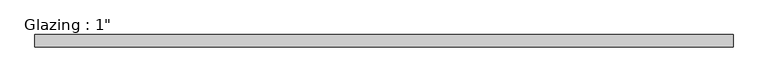
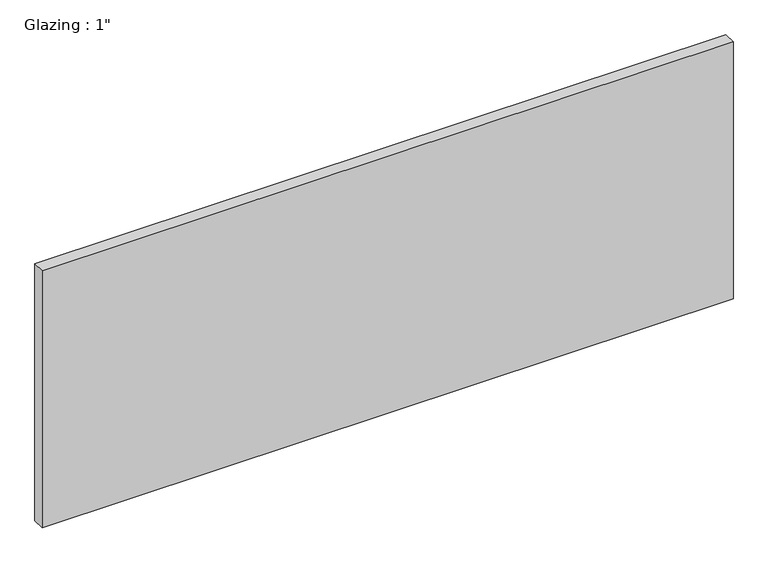
"""IFC4 building model written with IfcOpenShell, lengths in millimetres: plate geometry."""

from ifc_helpers import new_model, si_unit, origin, origin_with_axes, place, context, project, spatial, polyline, outline, extrude, source, transform, mapped, element, save


def plate_472944b2(model_context):
    return source(origin(), model_context, "Body", "SweptSolid", [
        extrude(outline(polyline([(712.2881578, -12.7), (-712.2881578, -12.7), (-712.2881578, 12.7), (712.2881578, 12.7), (712.2881578, -12.7)])), origin_with_axes(), (0.0, 0.0, 1.0), 560.0039722),
    ])


if __name__ == "__main__":
    model = new_model("IFC4")
    model_context = context("Model", 3, world=origin())
    ifc_project = project(units=[si_unit("LENGTHUNIT", "METRE", prefix="MILLI")], contexts=[model_context])
    site = spatial("IfcSite", under=ifc_project)
    building = spatial("IfcBuilding", under=site)
    placement = place(None, origin())
    plate_shape = plate_472944b2(model_context)
    element("IfcPlate", 1, ObjectType="Glazing : 1\"", at=placement, inside=building, context=model_context, shape_type="MappedRepresentation", body=[
        mapped(plate_shape, transform((0.0, 0.0, 0.0), x_axis=(1.0, 0.0, 0.0), y_axis=(0.0, 1.0, 0.0), z_axis=(0.0, 0.0, 1.0))),
    ])
    save(model, "model.ifc")
